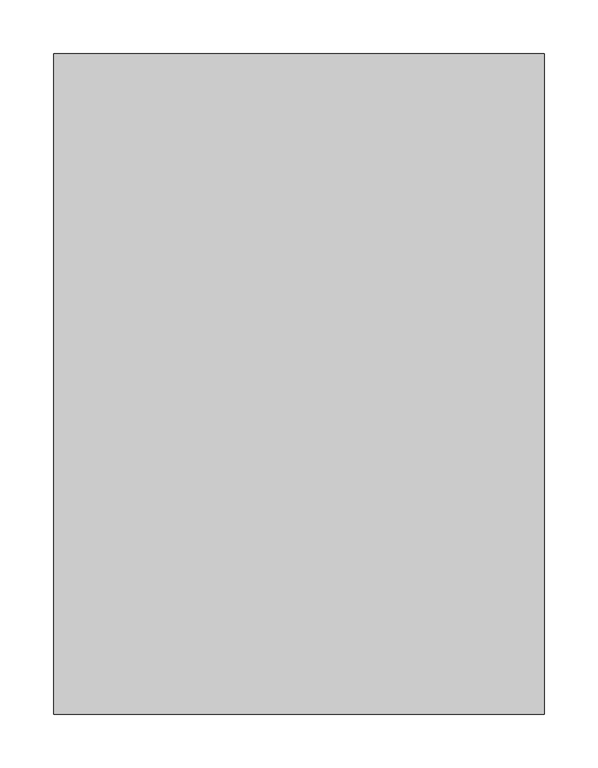
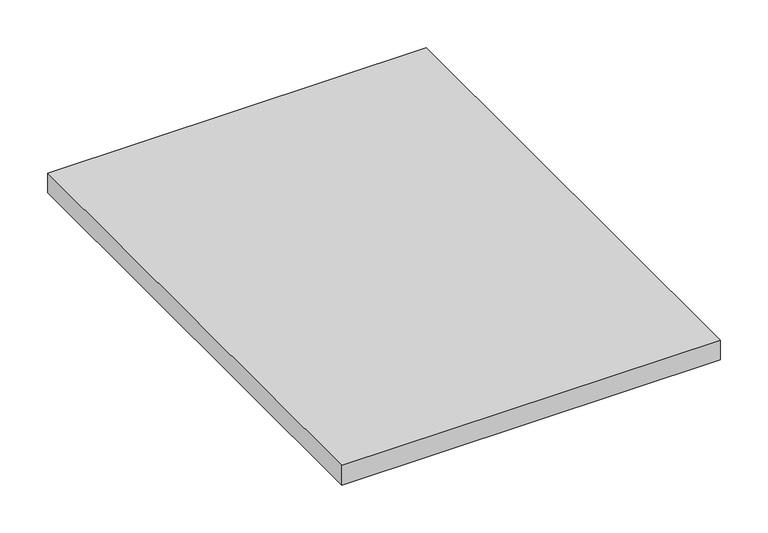
"""IFC4 building model written with IfcOpenShell, lengths in millimetres: furniture geometry."""

from ifc_helpers import new_model, si_unit, frame, origin, place, context, project, spatial, polyline, outline, extrude, source, transform, mapped, element, save


def furniture_7018ea2b(model_context):
    return source(origin(), model_context, "Body", "SweptSolid", [
        extrude(outline(polyline([(457.2, 0.0), (457.2, -615.95), (0.0, -615.95), (0.0, 0.0), (457.2, 0.0)])), frame((0.0, 0.0, 889.0), z_axis=(0.0, 0.0, 1.0), x_axis=(1.0, 0.0, 0.0)), (0.0, 0.0, 1.0), 25.4),
    ])


if __name__ == "__main__":
    model = new_model("IFC4")
    model_context = context("Model", 3, world=origin())
    ifc_project = project(units=[si_unit("LENGTHUNIT", "METRE", prefix="MILLI")], contexts=[model_context])
    site = spatial("IfcSite", under=ifc_project)
    building = spatial("IfcBuilding", under=site)
    placement = place(None, origin())
    furniture_shape = furniture_7018ea2b(model_context)
    element("IfcFurniture", 1, at=placement, inside=building, context=model_context, shape_type="MappedRepresentation", body=[
        mapped(furniture_shape, transform((0.0, 0.0, 0.0), x_axis=(1.0, 0.0, 0.0), y_axis=(0.0, 1.0, 0.0), z_axis=(0.0, 0.0, 1.0))),
    ])
    save(model, "model.ifc")
